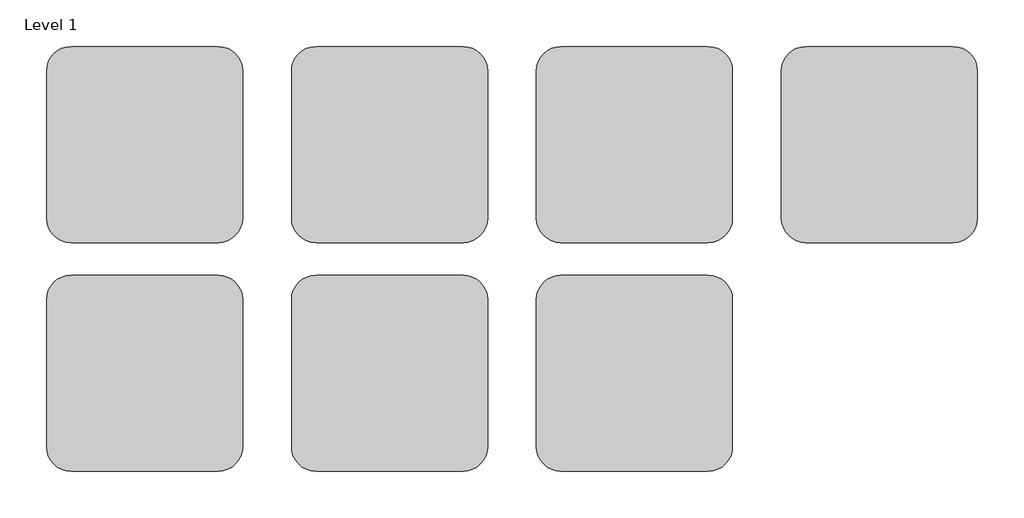
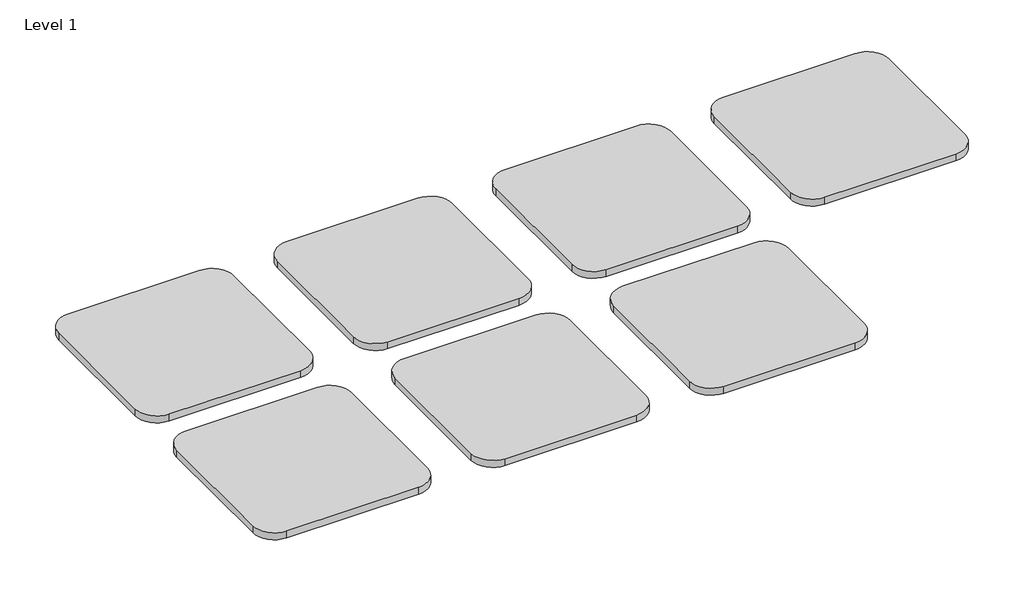
# One storey: 7 proxies.
"""IFC4 building model written with IfcOpenShell, lengths in millimetres."""

import ifcopenshell
import ifcopenshell.guid

model = None  # the IFC model being written
_history = None  # IfcOwnerHistory: only IFC2X3 demands one
_inside = {}  # id of a spatial element -> (the spatial element, [elements in it])
_under = {}  # id of a project, library or spatial element -> (it, [spatial elements below it])
_declared = {}  # id of a project -> (the project, [libraries it declares])
_typed = {}  # id of a type object -> (the type object, [elements of that type])
_made_of = {}  # id of a material, layer set ... -> (it, [elements and type objects made of it])


def new_model(schema):
    """Start an empty IFC model of exactly this schema.

    Asked for "IFC4X3", IfcOpenShell would pick the latest addendum, in which some entities
    have other attributes; the version numbers below select the first issue.
    IFC2X3 requires an IfcOwnerHistory on every rooted entity: one is made here for all.
    """
    global model, _history
    if schema == "IFC4X3":
        model = ifcopenshell.file(schema_version=(4, 3, 0, 0))
    else:
        model = ifcopenshell.file(schema=schema)
    _inside.clear()
    _under.clear()
    _declared.clear()
    _typed.clear()
    _made_of.clear()
    _history = None
    if model.schema == "IFC2X3":
        org = make("IfcOrganization", Name="unknown")
        user = make(
            "IfcPersonAndOrganization",
            ThePerson=make("IfcPerson", FamilyName="unknown"),
            TheOrganization=org,
        )
        app = make(
            "IfcApplication",
            ApplicationDeveloper=org,
            Version="unknown",
            ApplicationFullName="unknown",
            ApplicationIdentifier="unknown",
        )
        _history = make(
            "IfcOwnerHistory",
            OwningUser=user,
            OwningApplication=app,
            ChangeAction="ADDED",
            CreationDate=0,
        )
    return model


def make(cls, **values):
    """One entity of the class cls with the attributes given. An attribute that is None is left unset."""
    return model.create_entity(
        cls, **{name: value for name, value in values.items() if value is not None}
    )


def rooted(cls, **values):
    """An entity with a GlobalId (a new one), such as an element, a storey or a relation."""
    return make(cls, GlobalId=ifcopenshell.guid.new(), OwnerHistory=_history, **values)


def si_unit(unit_type, name, prefix=None):
    """IfcSIUnit, for example si_unit("LENGTHUNIT", "METRE", prefix="MILLI")."""
    return make("IfcSIUnit", UnitType=unit_type, Prefix=prefix, Name=name)


def assignment(units):
    """IfcUnitAssignment: the units of a project."""
    return None if units is None else make("IfcUnitAssignment", Units=units)


def point(xyz):
    """IfcCartesianPoint."""
    return None if xyz is None else make("IfcCartesianPoint", Coordinates=xyz)


def direction(xyz):
    """IfcDirection."""
    return None if xyz is None else make("IfcDirection", DirectionRatios=xyz)


def frame(location, z_axis=None, x_axis=None):
    """IfcAxis2Placement3D, a coordinate frame: its origin and axes. An axis left out is left unset."""
    return make(
        "IfcAxis2Placement3D",
        Location=point(location),
        Axis=direction(z_axis),
        RefDirection=direction(x_axis),
    )


def frame_2d(location, x_axis=None):
    """IfcAxis2Placement2D, a coordinate frame in the plane: its origin and x axis."""
    return make(
        "IfcAxis2Placement2D", Location=point(location), RefDirection=direction(x_axis)
    )


def origin():
    """The frame at (0, 0, 0) with its axes left unset."""
    return frame((0.0, 0.0, 0.0))


def origin_with_axes():
    """The frame at (0, 0, 0) with the z axis (0, 0, 1) and the x axis (1, 0, 0) written out."""
    return frame((0.0, 0.0, 0.0), z_axis=(0.0, 0.0, 1.0), x_axis=(1.0, 0.0, 0.0))


def place(relative_to, where):
    """IfcLocalPlacement: puts the frame where relative to a parent placement (None: the world)."""
    return make(
        "IfcLocalPlacement", PlacementRelTo=relative_to, RelativePlacement=where
    )


def context(
    kind, dimensions, precision=None, world=None, true_north=None, identifier=None
):
    """IfcGeometricRepresentationContext, for example the 3D "Model" context."""
    return make(
        "IfcGeometricRepresentationContext",
        ContextIdentifier=identifier,
        ContextType=kind,
        CoordinateSpaceDimension=dimensions,
        Precision=precision,
        WorldCoordinateSystem=world,
        TrueNorth=true_north,
    )


def project(units=None, contexts=None):
    """IfcProject with its units and contexts."""
    return rooted(
        "IfcProject",
        Name="project",
        RepresentationContexts=contexts,
        UnitsInContext=assignment(units),
    )


def spatial(cls, under=None, at=None, **own):
    """A site, building, storey or space (cls), placed at a placement, below another one or the project."""
    s = rooted(cls, ObjectPlacement=at, **own)
    if under is not None:
        _under.setdefault(under.id(), (under, []))[1].append(s)
    return s


def polyline(points):
    """IfcPolyline through the points."""
    return make("IfcPolyline", Points=[point(p) for p in points])


def circle_curve(where, radius):
    """IfcCircle in the frame where."""
    return make("IfcCircle", Position=where, Radius=radius)


def trimmed(basis, trim1, trim2, sense, master):
    """IfcTrimmedCurve: the piece of a basis curve between two trims."""
    return make(
        "IfcTrimmedCurve",
        BasisCurve=basis,
        Trim1=trim1,
        Trim2=trim2,
        SenseAgreement=sense,
        MasterRepresentation=master,
    )


def segment(curve, same_sense, transition):
    """IfcCompositeCurveSegment."""
    return make(
        "IfcCompositeCurveSegment",
        Transition=transition,
        SameSense=same_sense,
        ParentCurve=curve,
    )


def composite_curve(segments, self_intersect=None):
    """IfcCompositeCurve: segments joined end to end."""
    return make("IfcCompositeCurve", Segments=segments, SelfIntersect=self_intersect)


def outline(outer, holes=None, kind="AREA"):
    """IfcArbitraryClosedProfileDef: a profile drawn as a closed curve; with holes, ...WithVoids."""
    if holes is None:
        return make("IfcArbitraryClosedProfileDef", ProfileType=kind, OuterCurve=outer)
    return make(
        "IfcArbitraryProfileDefWithVoids",
        ProfileType=kind,
        OuterCurve=outer,
        InnerCurves=holes,
    )


def extrude(swept, where, along, depth):
    """IfcExtrudedAreaSolid: the profile swept, set in the frame where, extruded along a direction by depth."""
    return make(
        "IfcExtrudedAreaSolid",
        SweptArea=swept,
        Position=where,
        ExtrudedDirection=direction(along),
        Depth=depth,
    )


def shape(context_of_items, identifier, shape_type, items):
    """IfcShapeRepresentation: the items that make up one representation, for example the "Body"."""
    return make(
        "IfcShapeRepresentation",
        ContextOfItems=context_of_items,
        RepresentationIdentifier=identifier,
        RepresentationType=shape_type,
        Items=items,
    )


def source(mapping_origin, context_of_items, identifier, shape_type, items):
    """IfcRepresentationMap: a shape defined once, which mapped items show again and again."""
    return make(
        "IfcRepresentationMap",
        MappingOrigin=mapping_origin,
        MappedRepresentation=shape(context_of_items, identifier, shape_type, items),
    )


def transform(
    local_origin,
    x_axis=None,
    y_axis=None,
    z_axis=None,
    scale=None,
    scale2=None,
    scale3=None,
    uniform=True,
):
    """IfcCartesianTransformationOperator3D, or its non-uniform kind. x_axis, y_axis, z_axis: its Axis1, 2, 3."""
    if uniform:
        return make(
            "IfcCartesianTransformationOperator3D",
            Axis1=direction(x_axis),
            Axis2=direction(y_axis),
            LocalOrigin=point(local_origin),
            Scale=scale,
            Axis3=direction(z_axis),
        )
    return make(
        "IfcCartesianTransformationOperator3DnonUniform",
        Axis1=direction(x_axis),
        Axis2=direction(y_axis),
        LocalOrigin=point(local_origin),
        Scale=scale,
        Axis3=direction(z_axis),
        Scale2=scale2,
        Scale3=scale3,
    )


def mapped(mapping_source, mapping_target):
    """IfcMappedItem: shows the shape of a source again, moved by a transform."""
    return make(
        "IfcMappedItem", MappingSource=mapping_source, MappingTarget=mapping_target
    )


def made_of(thing, what):
    """Note that an element or type object is made of a material, layer set ...; save() writes the relation."""
    if what is not None:
        _made_of.setdefault(what.id(), (what, []))[1].append(thing)
    return thing


def element(
    cls,
    number,
    at=None,
    inside=None,
    cuts=None,
    type_object=None,
    material=None,
    context=None,
    identifier="Body",
    shape_type=None,
    held_by="IfcProductDefinitionShape",
    body=None,
    shapes=None,
    **own,
):
    """One element of the class cls, such as IfcWall. Its Tag is "e" and its number.

    at: its placement. inside: the storey or other place that contains it. cuts: it is an
    opening in that element (IfcRelVoidsElement). A single representation is given by context,
    identifier, shape_type and body (its items); several are given by shapes. held_by: the class
    of the entity that holds the representations. save() writes the other relations.
    """
    e = rooted(cls, Tag="e%d" % number, ObjectPlacement=at, **own)
    if body is not None:
        shapes = [shape(context, identifier, shape_type, body)]
    if shapes is not None:
        e.Representation = make(held_by, Representations=shapes)
    if inside is not None:
        _inside.setdefault(inside.id(), (inside, []))[1].append(e)
    if cuts is not None:
        rooted(
            "IfcRelVoidsElement", RelatingBuildingElement=cuts, RelatedOpeningElement=e
        )
    if type_object is not None:
        _typed.setdefault(type_object.id(), (type_object, []))[1].append(e)
    return made_of(e, material)


def aggregate(whole, parts):
    """IfcRelAggregates: a whole, such as a stair, and the parts it consists of."""
    return rooted("IfcRelAggregates", RelatingObject=whole, RelatedObjects=parts)


def save(model, path):
    """Write the relations noted so far, then the file.

    IfcRelAggregates (storeys below a building ...), IfcRelContainedInSpatialStructure (elements
    in a storey), IfcRelDefinesByType, IfcRelAssociatesMaterial and IfcRelDeclares: one each for
    every whole, place, type object, material and project.
    """
    for whole, parts in _under.values():
        aggregate(whole, parts)
    for where, things in _inside.values():
        rooted(
            "IfcRelContainedInSpatialStructure",
            RelatedElements=things,
            RelatingStructure=where,
        )
    for kind, things in _typed.values():
        rooted("IfcRelDefinesByType", RelatedObjects=things, RelatingType=kind)
    for what, things in _made_of.values():
        rooted("IfcRelAssociatesMaterial", RelatedObjects=things, RelatingMaterial=what)
    for by, libraries in _declared.values():
        rooted("IfcRelDeclares", RelatingContext=by, RelatedDefinitions=libraries)
    model.write(path)


def materialsample_type_1_9638d12c(model_context):
    return source(origin(), model_context, "Body", "SweptSolid", [
        extrude(outline(composite_curve([segment(polyline([(533.4, 0.0), (76.2, 0.0)]), True, "CONTINUOUS"), segment(trimmed(circle_curve(frame_2d((76.2, 76.2)), 76.2), [point((76.2, 0.0))], [point((0.0, 76.2))], False, "CARTESIAN"), True, "CONTINUOUS"), segment(polyline([(0.0, 76.2), (0.0, 533.4)]), True, "CONTINUOUS"), segment(trimmed(circle_curve(frame_2d((76.2, 533.4)), 76.2), [point((0.0, 533.4))], [point((76.2, 609.6))], False, "CARTESIAN"), True, "CONTINUOUS"), segment(polyline([(76.2, 609.6), (533.4, 609.6)]), True, "CONTINUOUS"), segment(trimmed(circle_curve(frame_2d((533.4, 533.4)), 76.2), [point((533.4, 609.6))], [point((609.6, 533.4))], False, "CARTESIAN"), True, "CONTINUOUS"), segment(polyline([(609.6, 533.4), (609.6, 76.2)]), True, "CONTINUOUS"), segment(trimmed(circle_curve(frame_2d((533.4, 76.2)), 76.2), [point((609.6, 76.2))], [point((533.4, 0.0))], False, "CARTESIAN"), True, "CONTINUOUS")], self_intersect=False)), origin_with_axes(), (0.0, 0.0, 1.0), 25.4),
    ])


model = new_model("IFC4")

# Units and contexts
model_context = context("Model", 3, world=origin())
ifc_project = project(units=[si_unit("LENGTHUNIT", "METRE", prefix="MILLI")], contexts=[model_context])

# Site, building, storey
site = spatial("IfcSite", under=ifc_project)
building = spatial("IfcBuilding", under=site)
storey = spatial("IfcBuildingStorey", under=building, Name="Level 1", Elevation=0.0)

# Proxies
placement = place(None, origin())
materialsample_type_1_shape = materialsample_type_1_9638d12c(model_context)
element("IfcBuildingElementProxy", 1, Name="MaterialSample : Type 1", ObjectType="MaterialSample : Type 1", at=placement, inside=storey, context=model_context, shape_type="MappedRepresentation", body=[
    mapped(materialsample_type_1_shape, transform((0.0, 0.0, 0.0), x_axis=(1.0, 0.0, 0.0), y_axis=(0.0, 1.0, 0.0), z_axis=(0.0, 0.0, 1.0))),
])
element("IfcBuildingElementProxy", 2, Name="MaterialSample : Type 1", ObjectType="MaterialSample : Type 1", at=placement, inside=storey, context=model_context, shape_type="MappedRepresentation", body=[
    mapped(materialsample_type_1_shape, transform((762.0, 0.0, 0.0), x_axis=(1.0, 0.0, 0.0), y_axis=(0.0, 1.0, 0.0), z_axis=(0.0, 0.0, 1.0))),
])
element("IfcBuildingElementProxy", 3, Name="MaterialSample : Type 1", ObjectType="MaterialSample : Type 1", at=placement, inside=storey, context=model_context, shape_type="MappedRepresentation", body=[
    mapped(materialsample_type_1_shape, transform((1524.0, 0.0, 0.0), x_axis=(1.0, 0.0, 0.0), y_axis=(0.0, 1.0, 0.0), z_axis=(0.0, 0.0, 1.0))),
])
element("IfcBuildingElementProxy", 4, Name="MaterialSample : Type 1", ObjectType="MaterialSample : Type 1", at=placement, inside=storey, context=model_context, shape_type="MappedRepresentation", body=[
    mapped(materialsample_type_1_shape, transform((2286.0, 0.0, 0.0), x_axis=(1.0, 0.0, 0.0), y_axis=(0.0, 1.0, 0.0), z_axis=(0.0, 0.0, 1.0))),
])
element("IfcBuildingElementProxy", 5, Name="MaterialSample : Type 1", ObjectType="MaterialSample : Type 1", at=placement, inside=storey, context=model_context, shape_type="MappedRepresentation", body=[
    mapped(materialsample_type_1_shape, transform((0.0, -711.2, 0.0), x_axis=(1.0, 0.0, 0.0), y_axis=(0.0, 1.0, 0.0), z_axis=(0.0, 0.0, 1.0))),
])
element("IfcBuildingElementProxy", 6, Name="MaterialSample : Type 1", ObjectType="MaterialSample : Type 1", at=placement, inside=storey, context=model_context, shape_type="MappedRepresentation", body=[
    mapped(materialsample_type_1_shape, transform((762.0, -711.2, 0.0), x_axis=(1.0, 0.0, 0.0), y_axis=(0.0, 1.0, 0.0), z_axis=(0.0, 0.0, 1.0))),
])
element("IfcBuildingElementProxy", 7, Name="MaterialSample : Type 1", ObjectType="MaterialSample : Type 1", at=placement, inside=storey, context=model_context, shape_type="MappedRepresentation", body=[
    mapped(materialsample_type_1_shape, transform((1524.0, -711.2, 0.0), x_axis=(1.0, 0.0, 0.0), y_axis=(0.0, 1.0, 0.0), z_axis=(0.0, 0.0, 1.0))),
])

save(model, "model.ifc")
